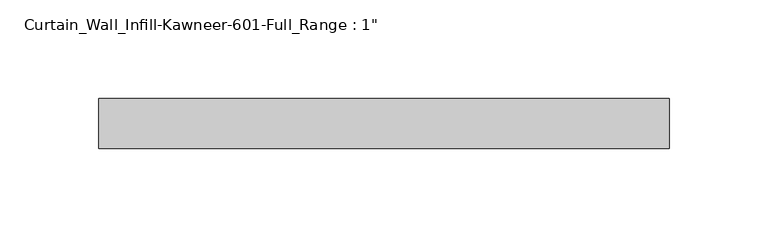
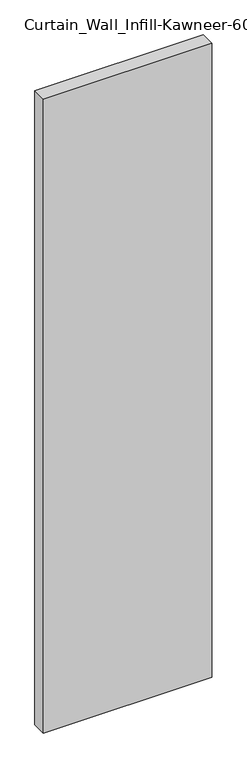
"""IFC4 building model written with IfcOpenShell, lengths in millimetres: plate geometry."""

from ifc_helpers import new_model, si_unit, origin, origin_with_axes, place, context, project, spatial, polyline, outline, extrude, source, transform, mapped, element, save


def plate_9443d351(model_context):
    return source(origin(), model_context, "Body", "SweptSolid", [
        extrude(outline(polyline([(-144.4625, 12.7), (144.4625, 12.7), (144.4625, -12.7), (-144.4625, -12.7), (-144.4625, 12.7)])), origin_with_axes(), (0.0, 0.0, 1.0), 1149.35),
    ])


if __name__ == "__main__":
    model = new_model("IFC4")
    model_context = context("Model", 3, world=origin())
    ifc_project = project(units=[si_unit("LENGTHUNIT", "METRE", prefix="MILLI")], contexts=[model_context])
    site = spatial("IfcSite", under=ifc_project)
    building = spatial("IfcBuilding", under=site)
    placement = place(None, origin())
    plate_shape = plate_9443d351(model_context)
    element("IfcPlate", 1, ObjectType="Curtain_Wall_Infill-Kawneer-601-Full_Range : 1\"", at=placement, inside=building, context=model_context, shape_type="MappedRepresentation", body=[
        mapped(plate_shape, transform((0.0, 0.0, 0.0), x_axis=(1.0, 0.0, 0.0), y_axis=(0.0, 1.0, 0.0), z_axis=(0.0, 0.0, 1.0))),
    ])
    save(model, "model.ifc")
